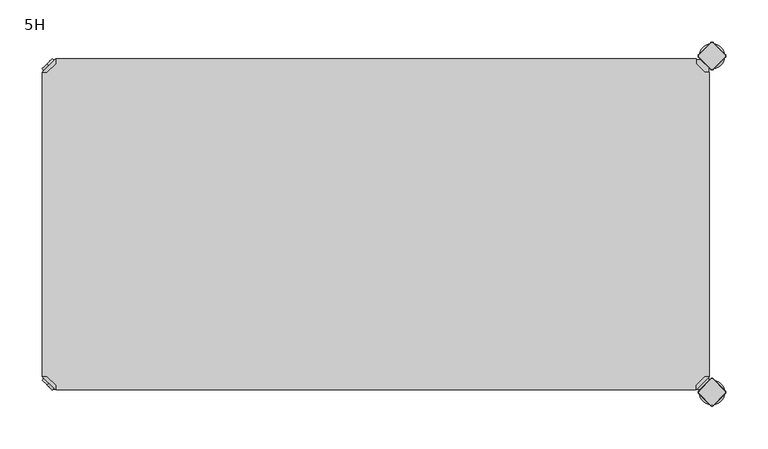
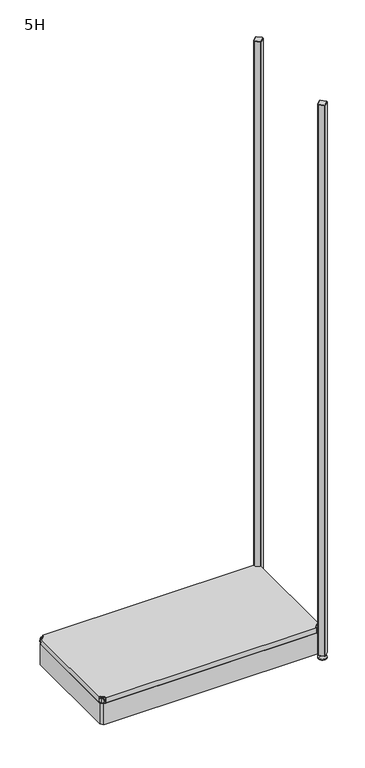
"""IFC4 building model written with IfcOpenShell, lengths in millimetres: furniture geometry, 5H."""

from ifc_helpers import new_model, si_unit, point, frame, frame_2d, origin, place, context, project, spatial, polyline, circle_curve, trimmed, segment, composite_curve, outline, extrude, source, transform, mapped, element, save
from ifc_brep_helpers import plane_surface, cylinder_surface, revolved_surface, advanced_brep


def furniture_5h_1d3c92c7(model_context):
    return source(origin(), model_context, "Body", "SolidModel", [
        advanced_brep(
        [(781.0796898, -397.0, 117.0), (797.0, -381.0796898, 117.0), (791.3431458, -381.0796898, 117.0), (781.0796898, -391.3431458, 117.0), (781.0796898, -397.0, 98.0), (781.0796898, -397.0, 97.0), (797.0, -381.0796898, 97.0), (797.0, -381.0796898, 98.0), (791.3431458, -381.0796898, 98.0), (781.0796898, -391.3431458, 98.0), (768.1906025, -352.2702923, 98.0), (752.2702923, -368.1906025, 98.0), (752.2702923, -368.1906025, 97.0), (768.1906025, -352.2702923, 97.0)],
        [
            (0, 1),
            (1, 2),
            (2, 3),
            (3, 0),
            (0, 4),
            (4, 5),
            (5, 6),
            (6, 7),
            (7, 1),
            (2, 8),
            (8, 9),
            (9, 3),
            (9, 4),
            (7, 8),
            (7, 10),
            (10, 11, circle_curve(frame((760.2304474, -360.2304474, 98.0), z_axis=(0.0, 0.0, 1.0), x_axis=(-1.0, 0.0, 0.0)), 11.2573593)),
            (11, 4),
            (5, 12),
            (12, 13, circle_curve(frame((760.2304474, -360.2304474, 97.0), z_axis=(0.0, 0.0, -1.0), x_axis=(-1.0, 0.0, 0.0)), 11.2573593)),
            (13, 6),
            (13, 10),
            (12, 11),
        ],
        [
            plane_surface(frame((838.8756299, -339.2040599, 117.0), z_axis=(0.0, 0.0, 1.0000000000000002), x_axis=(0.7071067811865511, 0.707106781186544, 0.0))),
            plane_surface(frame((781.0796898, -397.0, 117.0), z_axis=(0.707106781186544, -0.7071067811865511, 0.0), x_axis=(0.0, 0.0, -1.0))),
            plane_surface(frame((791.3431458, -381.0796898, 117.0), z_axis=(-0.7071067811865527, 0.7071067811865424, 0.0), x_axis=(0.0, 0.0, -1.0))),
            plane_surface(frame((781.0796898, -391.3431458, 117.0), z_axis=(-1.0, 0.0, 0.0), x_axis=(0.0, 0.0, -1.0))),
            plane_surface(frame((797.0, -381.0796898, 117.0), z_axis=(0.0, 1.0, 0.0), x_axis=(0.0, 0.0, -1.0))),
            plane_surface(frame((797.0, -381.0796898, 98.0), z_axis=(0.0, 0.0, 1.0), x_axis=(0.7071067811865439, 0.7071067811865511, 0.0))),
            plane_surface(frame((797.0, -381.0796898, 97.0), z_axis=(0.0, 0.0, -1.0), x_axis=(-0.7071067811865439, -0.7071067811865511, 0.0))),
            plane_surface(frame((797.0, -381.0796898, 98.0), z_axis=(0.7071067811865446, 0.7071067811865506, 0.0), x_axis=(0.0, 0.0, -1.0))),
            cylinder_surface(frame((760.2304474, -360.2304474, 97.0), z_axis=(0.0, 0.0, 1.0), x_axis=(-1.0, 0.0, 0.0)), 11.2573593),
            plane_surface(frame((752.2702923, -368.1906025, 98.0), z_axis=(-0.7071067811865435, -0.7071067811865517, 0.0), x_axis=(0.0, 0.0, -1.0))),
        ],
        [
            (0, [[1, 2, 3, 4]]),
            (1, [[-1, 5, 6, 7, 8, 9]]),
            (2, [[-3, 10, 11, 12]]),
            (3, [[-4, -12, 13, -5]]),
            (4, [[-2, -9, 14, -10]]),
            (5, [[15, 16, 17, -13, -11, -14]]),
            (6, [[18, 19, 20, -7]]),
            (7, [[-15, -8, -20, 21]]),
            (8, [[-16, -21, -19, 22]]),
            (9, [[-17, -22, -18, -6]]),
        ],
    ),
        advanced_brep(
        [(10.9601551, -389.0398449, 98.5), (10.9601551, -389.0398449, 107.0), (10.9601551, -389.0398449, 115.5), (8.8388348, -391.1611652, 98.5), (8.8388348, -391.1611652, 115.5), (8.8388348, -391.1611652, 107.0)],
        [
            (0, 1),
            (1, 2),
            (2, 0, circle_curve(frame((10.9601551, -389.0398449, 107.0), z_axis=(0.7071067811865509, 0.7071067811865441, 0.0), x_axis=(0.0, 0.0, 1.0)), 8.5)),
            (0, 2, circle_curve(frame((10.9601551, -389.0398449, 107.0), z_axis=(0.7071067811865509, 0.7071067811865441, 0.0), x_axis=(0.0, 0.0, 1.0)), 8.5)),
            (3, 0),
            (2, 4),
            (4, 3, circle_curve(frame((8.8388348, -391.1611652, 107.0), z_axis=(0.7071067811865509, 0.7071067811865441, 0.0), x_axis=(0.0, 0.0, 1.0)), 8.5)),
            (3, 4, circle_curve(frame((8.8388348, -391.1611652, 107.0), z_axis=(0.7071067811865509, 0.7071067811865441, 0.0), x_axis=(0.0, 0.0, 1.0)), 8.5)),
            (5, 3),
            (4, 5),
        ],
        [
            plane_surface(frame((10.9601551, -389.0398449, 107.0), z_axis=(0.7071067811865506, 0.7071067811865446, 0.0), x_axis=(0.0, 0.0, 1.0))),
            cylinder_surface(frame((8.8388348, -391.1611652, 107.0), z_axis=(-0.7071067811865509, -0.7071067811865441, 0.0), x_axis=(0.0, 0.0, 1.0)), 8.5),
            plane_surface(frame((8.8388348, -391.1611652, 107.0), z_axis=(-0.7071067811865506, -0.7071067811865446, 0.0), x_axis=(0.0, 0.0, 1.0))),
        ],
        [
            (0, [[1, 2, 3]]),
            (0, [[-2, -1, 4]]),
            (1, [[5, -3, 6, 7]]),
            (1, [[-6, -4, -5, 8]]),
            (2, [[9, -7, 10]]),
            (2, [[-10, -8, -9]]),
        ],
    ),
        advanced_brep(
        [(18.9203102, -397.0, 117.0), (18.9203102, -391.3431458, 117.0), (8.6568542, -381.0796898, 117.0), (3.0, -381.0796898, 117.0), (3.0, -381.0796898, 98.0), (3.0, -381.0796898, 97.0), (18.9203102, -397.0, 97.0), (18.9203102, -397.0, 98.0), (18.9203102, -391.3431458, 98.0), (8.6568542, -381.0796898, 98.0), (47.7297077, -368.1906025, 98.0), (31.8093975, -352.2702923, 98.0), (31.8093975, -352.2702923, 97.0), (47.7297077, -368.1906025, 97.0)],
        [
            (0, 1),
            (1, 2),
            (2, 3),
            (3, 0),
            (3, 4),
            (4, 5),
            (5, 6),
            (6, 7),
            (7, 0),
            (1, 8),
            (8, 9),
            (9, 2),
            (7, 8),
            (9, 4),
            (7, 10),
            (10, 11, circle_curve(frame((39.7695526, -360.2304474, 98.0), z_axis=(0.0, 0.0, 1.0), x_axis=(1.0, 0.0, 0.0)), 11.2573593)),
            (11, 4),
            (5, 12),
            (12, 13, circle_curve(frame((39.7695526, -360.2304474, 97.0), z_axis=(0.0, 0.0, -1.0), x_axis=(1.0, 0.0, 0.0)), 11.2573593)),
            (13, 6),
            (11, 12),
            (10, 13),
        ],
        [
            plane_surface(frame((-38.8756299, -339.2040599, 117.0), z_axis=(0.0, 0.0, 1.0000000000000002), x_axis=(-0.7071067811865511, 0.707106781186544, 0.0))),
            plane_surface(frame((18.9203102, -397.0, 117.0), z_axis=(-0.707106781186544, -0.7071067811865511, 0.0), x_axis=(0.0, 0.0, -1.0))),
            plane_surface(frame((8.6568542, -381.0796898, 117.0), z_axis=(0.7071067811865527, 0.7071067811865424, 0.0), x_axis=(0.0, 0.0, -1.0))),
            plane_surface(frame((18.9203102, -391.3431458, 117.0), z_axis=(1.0, 0.0, 0.0), x_axis=(0.0, 0.0, -1.0))),
            plane_surface(frame((3.0, -381.0796898, 117.0), z_axis=(0.0, 1.0, 0.0), x_axis=(0.0, 0.0, -1.0))),
            plane_surface(frame((3.0, -381.0796898, 98.0), z_axis=(0.0, 0.0, 1.0), x_axis=(-0.7071067811865439, 0.7071067811865511, 0.0))),
            plane_surface(frame((3.0, -381.0796898, 97.0), z_axis=(0.0, 0.0, -1.0), x_axis=(0.7071067811865439, -0.7071067811865511, 0.0))),
            plane_surface(frame((3.0, -381.0796898, 98.0), z_axis=(-0.7071067811865446, 0.7071067811865506, 0.0), x_axis=(0.0, 0.0, -1.0))),
            cylinder_surface(frame((39.7695526, -360.2304474, 97.0), z_axis=(0.0, 0.0, 1.0), x_axis=(1.0, 0.0, 0.0)), 11.2573593),
            plane_surface(frame((47.7297077, -368.1906025, 98.0), z_axis=(0.7071067811865435, -0.7071067811865517, 0.0), x_axis=(0.0, 0.0, -1.0))),
        ],
        [
            (0, [[1, 2, 3, 4]]),
            (1, [[5, 6, 7, 8, 9, -4]]),
            (2, [[10, 11, 12, -2]]),
            (3, [[-9, 13, -10, -1]]),
            (4, [[-12, 14, -5, -3]]),
            (5, [[-14, -11, -13, 15, 16, 17]]),
            (6, [[-7, 18, 19, 20]]),
            (7, [[21, -18, -6, -17]]),
            (8, [[22, -19, -21, -16]]),
            (9, [[-8, -20, -22, -15]]),
        ],
    ),
        advanced_brep(
        [(10.9601551, -10.9601551, 98.5), (10.9601551, -10.9601551, 115.5), (10.9601551, -10.9601551, 107.0), (8.8388348, -8.8388348, 98.5), (8.8388348, -8.8388348, 115.5), (8.8388348, -8.8388348, 107.0)],
        [
            (0, 1, circle_curve(frame((10.9601551, -10.9601551, 107.0), z_axis=(0.7071067811865464, -0.7071067811865487, 0.0), x_axis=(0.0, 0.0, 1.0)), 8.5)),
            (1, 2),
            (2, 0),
            (1, 0, circle_curve(frame((10.9601551, -10.9601551, 107.0), z_axis=(0.7071067811865464, -0.7071067811865487, 0.0), x_axis=(0.0, 0.0, 1.0)), 8.5)),
            (3, 4, circle_curve(frame((8.8388348, -8.8388348, 107.0), z_axis=(0.7071067811865464, -0.7071067811865487, 0.0), x_axis=(0.0, 0.0, 1.0)), 8.5)),
            (4, 1),
            (0, 3),
            (4, 3, circle_curve(frame((8.8388348, -8.8388348, 107.0), z_axis=(0.7071067811865464, -0.7071067811865487, 0.0), x_axis=(0.0, 0.0, 1.0)), 8.5)),
            (5, 4),
            (3, 5),
        ],
        [
            plane_surface(frame((10.9601551, -10.9601551, 107.0), z_axis=(0.707106781186546, -0.7071067811865491, 0.0), x_axis=(0.0, 0.0, 1.0))),
            cylinder_surface(frame((8.8388348, -8.8388348, 107.0), z_axis=(-0.7071067811865464, 0.7071067811865487, 0.0), x_axis=(0.0, 0.0, 1.0)), 8.5),
            plane_surface(frame((8.8388348, -8.8388348, 107.0), z_axis=(-0.707106781186546, 0.7071067811865491, 0.0), x_axis=(0.0, 0.0, 1.0))),
        ],
        [
            (0, [[1, 2, 3]]),
            (0, [[4, -3, -2]]),
            (1, [[5, 6, -1, 7]]),
            (1, [[8, -7, -4, -6]]),
            (2, [[9, -5, 10]]),
            (2, [[-10, -8, -9]]),
        ],
    ),
        advanced_brep(
        [(18.9203102, -3.0, 117.0), (3.0, -18.9203102, 117.0), (8.6568542, -18.9203102, 117.0), (18.9203102, -8.6568542, 117.0), (18.9203102, -3.0, 98.0), (18.9203102, -3.0, 97.0), (3.0, -18.9203102, 97.0), (3.0, -18.9203102, 98.0), (8.6568542, -18.9203102, 98.0), (18.9203102, -8.6568542, 98.0), (31.8093975, -47.7297077, 98.0), (47.7297077, -31.8093975, 98.0), (47.7297077, -31.8093975, 97.0), (31.8093975, -47.7297077, 97.0)],
        [
            (0, 1),
            (1, 2),
            (2, 3),
            (3, 0),
            (0, 4),
            (4, 5),
            (5, 6),
            (6, 7),
            (7, 1),
            (2, 8),
            (8, 9),
            (9, 3),
            (9, 4),
            (7, 8),
            (7, 10),
            (10, 11, circle_curve(frame((39.7695526, -39.7695526, 98.0), z_axis=(0.0, 0.0, 1.0), x_axis=(1.0, 0.0, 0.0)), 11.2573593)),
            (11, 4),
            (5, 12),
            (12, 13, circle_curve(frame((39.7695526, -39.7695526, 97.0), z_axis=(0.0, 0.0, -1.0), x_axis=(1.0, 0.0, 0.0)), 11.2573593)),
            (13, 6),
            (13, 10),
            (12, 11),
        ],
        [
            plane_surface(frame((-38.8756299, -60.7959401, 117.0), z_axis=(0.0, 0.0, 1.0000000000000002), x_axis=(-0.7071067811865557, -0.7071067811865395, 0.0))),
            plane_surface(frame((18.9203102, -3.0, 117.0), z_axis=(-0.7071067811865395, 0.7071067811865557, 0.0), x_axis=(0.0, 0.0, -1.0))),
            plane_surface(frame((8.6568542, -18.9203102, 117.0), z_axis=(0.7071067811865481, -0.7071067811865469, 0.0), x_axis=(0.0, 0.0, -1.0))),
            plane_surface(frame((18.9203102, -8.6568542, 117.0), z_axis=(1.0, 0.0, 0.0), x_axis=(0.0, 0.0, -1.0))),
            plane_surface(frame((3.0, -18.9203102, 117.0), z_axis=(0.0, -1.0, 0.0), x_axis=(0.0, 0.0, -1.0))),
            plane_surface(frame((3.0, -18.9203102, 98.0), z_axis=(0.0, 0.0, 1.0), x_axis=(-0.7071067811865485, -0.7071067811865466, 0.0))),
            plane_surface(frame((3.0, -18.9203102, 97.0), z_axis=(0.0, 0.0, -1.0), x_axis=(0.7071067811865485, 0.7071067811865466, 0.0))),
            plane_surface(frame((3.0, -18.9203102, 98.0), z_axis=(-0.7071067811865491, -0.707106781186546, 0.0), x_axis=(0.0, 0.0, -1.0))),
            cylinder_surface(frame((39.7695526, -39.7695526, 97.0), z_axis=(0.0, 0.0, 1.0), x_axis=(1.0, 0.0, 0.0)), 11.2573593),
            plane_surface(frame((47.7297077, -31.8093975, 98.0), z_axis=(0.707106781186548, 0.7071067811865471, 0.0), x_axis=(0.0, 0.0, -1.0))),
        ],
        [
            (0, [[1, 2, 3, 4]]),
            (1, [[-1, 5, 6, 7, 8, 9]]),
            (2, [[-3, 10, 11, 12]]),
            (3, [[-4, -12, 13, -5]]),
            (4, [[-2, -9, 14, -10]]),
            (5, [[15, 16, 17, -13, -11, -14]]),
            (6, [[18, 19, 20, -7]]),
            (7, [[-15, -8, -20, 21]]),
            (8, [[-16, -21, -19, 22]]),
            (9, [[-17, -22, -18, -6]]),
        ],
    ),
        extrude(outline(polyline([(781.0796898, -3.0), (781.0796898, -8.6568542), (791.3431458, -18.9203102), (797.0, -18.9203102), (797.0, -381.0796898), (791.3431458, -381.0796898), (781.0796898, -391.3431458), (781.0796898, -397.0), (18.9203102, -397.0), (18.9203102, -391.3431458), (8.6568542, -381.0796898), (3.0, -381.0796898), (3.0, -18.9203102), (8.6568542, -18.9203102), (18.9203102, -8.6568542), (18.9203102, -3.0), (781.0796898, -3.0)])), frame((0.0, 0.0, 98.0), z_axis=(0.0, 0.0, 1.0), x_axis=(1.0, 0.0, 0.0)), (0.0, 0.0, 1.0), 19.0),
        advanced_brep(
        [(785.0, -400.0, 0.0), (815.0, -400.0, 0.0), (800.0, -400.0, 0.0), (785.0, -400.0, 2.0), (815.0, -400.0, 2.0), (792.0, -400.0, 9.0), (808.0, -400.0, 9.0), (796.0, -400.0, 9.0), (804.0, -400.0, 9.0), (796.0, -400.0, 15.0), (804.0, -400.0, 15.0), (800.0, -400.0, 15.0)],
        [
            (0, 1, circle_curve(frame((800.0, -400.0, 0.0), z_axis=(0.0, 0.0, -1.0), x_axis=(1.0, 0.0, 0.0)), 15.0)),
            (1, 2),
            (2, 0),
            (1, 0, circle_curve(frame((800.0, -400.0, 0.0), z_axis=(0.0, 0.0, -1.0), x_axis=(1.0, 0.0, 0.0)), 15.0)),
            (3, 4, circle_curve(frame((800.0, -400.0, 2.0), z_axis=(0.0, 0.0, -1.0), x_axis=(1.0, 0.0, 0.0)), 15.0)),
            (4, 1),
            (0, 3),
            (4, 3, circle_curve(frame((800.0, -400.0, 2.0), z_axis=(0.0, 0.0, -1.0), x_axis=(1.0, 0.0, 0.0)), 15.0)),
            (5, 6, circle_curve(frame((800.0, -400.0, 9.0), z_axis=(0.0, 0.0, -1.0), x_axis=(1.0, 0.0, 0.0)), 8.0)),
            (6, 4),
            (3, 5),
            (6, 5, circle_curve(frame((800.0, -400.0, 9.0), z_axis=(0.0, 0.0, -1.0), x_axis=(1.0, 0.0, 0.0)), 8.0)),
            (7, 8, circle_curve(frame((800.0, -400.0, 9.0), z_axis=(0.0, 0.0, -1.0), x_axis=(1.0, 0.0, 0.0)), 4.0)),
            (8, 6),
            (5, 7),
            (8, 7, circle_curve(frame((800.0, -400.0, 9.0), z_axis=(0.0, 0.0, -1.0), x_axis=(1.0, 0.0, 0.0)), 4.0)),
            (9, 10, circle_curve(frame((800.0, -400.0, 15.0), z_axis=(0.0, 0.0, -1.0), x_axis=(1.0, 0.0, 0.0)), 4.0)),
            (10, 8),
            (7, 9),
            (10, 9, circle_curve(frame((800.0, -400.0, 15.0), z_axis=(0.0, 0.0, -1.0), x_axis=(1.0, 0.0, 0.0)), 4.0)),
            (11, 10),
            (9, 11),
        ],
        [
            plane_surface(frame((800.0, -400.0, 0.0), z_axis=(0.0, 0.0, -1.0), x_axis=(1.0, 0.0, 0.0))),
            cylinder_surface(frame((800.0, -400.0, 18.6083303), z_axis=(0.0, 0.0, 1.0), x_axis=(1.0, 0.0, 0.0)), 15.0),
            revolved_surface(polyline([(815.0, -400.0, 2.0), (808.0, -400.0, 9.0)]), (800.0, -400.0, 18.6083303), (0.0, 0.0, 1.0)),
            plane_surface(frame((800.0, -400.0, 9.0), z_axis=(0.0, 0.0, 1.0), x_axis=(1.0, 0.0, 0.0))),
            cylinder_surface(frame((800.0, -400.0, 18.6083303), z_axis=(0.0, 0.0, 1.0), x_axis=(1.0, 0.0, 0.0)), 4.0),
            plane_surface(frame((800.0, -400.0, 15.0), z_axis=(0.0, 0.0, 1.0), x_axis=(1.0, 0.0, 0.0))),
        ],
        [
            (0, [[1, 2, 3]]),
            (0, [[4, -3, -2]]),
            (1, [[5, 6, -1, 7]]),
            (1, [[8, -7, -4, -6]]),
            (2, [[9, 10, -5, 11]]),
            (2, [[12, -11, -8, -10]]),
            (3, [[13, 14, -9, 15]]),
            (3, [[16, -15, -12, -14]]),
            (4, [[17, 18, -13, 19]]),
            (4, [[20, -19, -16, -18]]),
            (5, [[21, -17, 22]]),
            (5, [[-22, -20, -21]]),
        ],
    ),
        advanced_brep(
        [(798.7979185, -384.6557828, 2117.0), (784.6557828, -398.7979185, 2117.0), (784.6557828, -401.2020815, 2117.0), (798.7979185, -415.3442172, 2117.0), (801.2020815, -415.3442172, 2117.0), (815.3442172, -401.2020815, 2117.0), (815.3442172, -398.7979185, 2117.0), (801.2020815, -384.6557828, 2117.0), (798.232233, -384.0900974, 2115.0), (801.767767, -384.0900974, 2115.0), (815.9099026, -398.232233, 2115.0), (815.9099026, -401.767767, 2115.0), (801.767767, -415.9099026, 2115.0), (798.232233, -415.9099026, 2115.0), (784.0900974, -401.767767, 2115.0), (784.0900974, -398.232233, 2115.0)],
        [
            (0, 1),
            (1, 2, circle_curve(frame((785.8578644, -400.0, 2117.0), z_axis=(0.0, 0.0, 1.0), x_axis=(-0.7071067811865537, 0.7071067811865414, 0.0)), 1.7)),
            (2, 3),
            (3, 4, circle_curve(frame((800.0, -414.1421356, 2117.0), z_axis=(0.0, 0.0, 1.0), x_axis=(-0.7071067811865491, -0.707106781186546, 0.0)), 1.7)),
            (4, 5),
            (5, 6, circle_curve(frame((814.1421356, -400.0, 2117.0), z_axis=(0.0, 0.0, 1.0), x_axis=(0.707106781186539, -0.7071067811865559, 0.0)), 1.7)),
            (6, 7),
            (7, 0, circle_curve(frame((800.0, -385.8578644, 2117.0), z_axis=(0.0, 0.0, 1.0), x_axis=(0.7071067811865458, 0.7071067811865492, 0.0)), 1.7)),
            (8, 9, circle_curve(frame((800.0, -385.8578644, 2115.0), z_axis=(0.0, 0.0, -1.0), x_axis=(0.7071067811865458, 0.7071067811865492, 0.0)), 2.5)),
            (9, 10),
            (10, 11, circle_curve(frame((814.1421356, -400.0, 2115.0), z_axis=(0.0, 0.0, -1.0), x_axis=(0.707106781186539, -0.7071067811865559, 0.0)), 2.5)),
            (11, 12),
            (12, 13, circle_curve(frame((800.0, -414.1421356, 2115.0), z_axis=(0.0, 0.0, -1.0), x_axis=(-0.7071067811865491, -0.707106781186546, 0.0)), 2.5)),
            (13, 14),
            (14, 15, circle_curve(frame((785.8578644, -400.0, 2115.0), z_axis=(0.0, 0.0, -1.0), x_axis=(-0.7071067811865537, 0.7071067811865414, 0.0)), 2.5)),
            (15, 8),
            (15, 1),
            (0, 8),
            (14, 2),
            (13, 3),
            (12, 4),
            (11, 5),
            (10, 6),
            (9, 7),
        ],
        [
            plane_surface(frame((800.0, -400.0, 2117.0), z_axis=(0.0, 0.0, 1.0), x_axis=(-0.7071067811865486, 0.7071067811865466, 0.0))),
            plane_surface(frame((800.0, -400.0, 2115.0), z_axis=(0.0, 0.0, -1.0), x_axis=(-0.7071067811865486, 0.7071067811865466, 0.0))),
            plane_surface(frame((791.1611652, -391.1611652, 2115.0), z_axis=(-0.6565321642986406, 0.656532164298628, 0.3713906763540281), x_axis=(-0.7071067811865408, -0.7071067811865543, 0.0))),
            revolved_surface(polyline([(784.65578284, -398.79791844, 2117.0), (784.0900974, -398.232233, 2115.0)]), (785.8578644, -400.0, 2121.25), (0.0, 0.0, -1.0)),
            plane_surface(frame((791.1611652, -408.8388348, 2115.0), z_axis=(-0.6565321642986325, -0.6565321642986414, 0.3713906763540188), x_axis=(0.7071067811865523, -0.7071067811865428, 0.0))),
            revolved_surface(polyline([(798.79791844, -415.34421716, 2117.0), (798.232233, -415.9099026, 2115.0)]), (800.0, -414.1421356, 2121.25), (0.0, 0.0, -1.0)),
            plane_surface(frame((808.8388348, -408.8388348, 2115.0), z_axis=(0.6565321642986457, -0.6565321642986508, 0.3713906763539787), x_axis=(0.7071067811865541, 0.707106781186541, 0.0))),
            revolved_surface(polyline([(815.34421716, -401.20208156, 2117.0), (815.9099026, -401.767767, 2115.0)]), (814.1421356, -400.0, 2121.25), (0.0, 0.0, -1.0)),
            plane_surface(frame((808.8388348, -391.1611652, 2115.0), z_axis=(0.656532164298657, 0.6565321642986371, 0.37139067635398293), x_axis=(-0.7071067811865407, 0.7071067811865545, 0.0))),
            revolved_surface(polyline([(801.20208156, -384.65578284, 2117.0), (801.767767, -384.0900974, 2115.0)]), (800.0, -385.8578644, 2121.25), (0.0, 0.0, -1.0)),
        ],
        [
            (0, [[1, 2, 3, 4, 5, 6, 7, 8]]),
            (1, [[9, 10, 11, 12, 13, 14, 15, 16]]),
            (2, [[-16, 17, -1, 18]]),
            (3, [[-15, 19, -2, -17]]),
            (4, [[-14, 20, -3, -19]]),
            (5, [[-13, 21, -4, -20]]),
            (6, [[-12, 22, -5, -21]]),
            (7, [[-11, 23, -6, -22]]),
            (8, [[-10, 24, -7, -23]]),
            (9, [[-9, -18, -8, -24]]),
        ],
    ),
        extrude(outline(composite_curve([segment(trimmed(circle_curve(frame_2d((814.1421356, -400.0)), 2.5), [point((815.9099026, -398.232233))], [point((815.9099026, -401.767767))], False, "CARTESIAN"), True, "CONTINUOUS"), segment(polyline([(815.9099026, -401.767767), (801.767767, -415.9099026)]), True, "CONTINUOUS"), segment(trimmed(circle_curve(frame_2d((800.0, -414.1421356)), 2.5), [point((801.767767, -415.9099026))], [point((798.232233, -415.9099026))], False, "CARTESIAN"), True, "CONTINUOUS"), segment(polyline([(798.232233, -415.9099026), (784.0900974, -401.767767)]), True, "CONTINUOUS"), segment(trimmed(circle_curve(frame_2d((785.8578644, -400.0)), 2.5), [point((784.0900974, -401.767767))], [point((784.0900974, -398.232233))], False, "CARTESIAN"), True, "CONTINUOUS"), segment(polyline([(784.0900974, -398.232233), (798.232233, -384.0900974)]), True, "CONTINUOUS"), segment(trimmed(circle_curve(frame_2d((800.0, -385.8578644)), 2.5), [point((798.232233, -384.0900974))], [point((801.767767, -384.0900974))], False, "CARTESIAN"), True, "CONTINUOUS"), segment(polyline([(801.767767, -384.0900974), (815.9099026, -398.232233)]), True, "CONTINUOUS")], self_intersect=False)), frame((0.0, 0.0, 15.0), z_axis=(0.0, 0.0, 1.0), x_axis=(1.0, 0.0, 0.0)), (0.0, 0.0, 1.0), 2100.0),
        advanced_brep(
        [(785.0, 0.0, 0.0), (815.0, 0.0, 0.0), (800.0, 0.0, 0.0), (785.0, 0.0, 2.0), (815.0, 0.0, 2.0), (792.0, 0.0, 9.0), (808.0, 0.0, 9.0), (796.0, 0.0, 9.0), (804.0, 0.0, 9.0), (796.0, 0.0, 15.0), (804.0, 0.0, 15.0), (800.0, 0.0, 15.0)],
        [
            (0, 1, circle_curve(frame((800.0, 0.0, 0.0), z_axis=(0.0, 0.0, -1.0), x_axis=(1.0, 0.0, 0.0)), 15.0)),
            (1, 2),
            (2, 0),
            (1, 0, circle_curve(frame((800.0, 0.0, 0.0), z_axis=(0.0, 0.0, -1.0), x_axis=(1.0, 0.0, 0.0)), 15.0)),
            (3, 4, circle_curve(frame((800.0, 0.0, 2.0), z_axis=(0.0, 0.0, -1.0), x_axis=(1.0, 0.0, 0.0)), 15.0)),
            (4, 1),
            (0, 3),
            (4, 3, circle_curve(frame((800.0, 0.0, 2.0), z_axis=(0.0, 0.0, -1.0), x_axis=(1.0, 0.0, 0.0)), 15.0)),
            (5, 6, circle_curve(frame((800.0, 0.0, 9.0), z_axis=(0.0, 0.0, -1.0), x_axis=(1.0, 0.0, 0.0)), 8.0)),
            (6, 4),
            (3, 5),
            (6, 5, circle_curve(frame((800.0, 0.0, 9.0), z_axis=(0.0, 0.0, -1.0), x_axis=(1.0, 0.0, 0.0)), 8.0)),
            (7, 8, circle_curve(frame((800.0, 0.0, 9.0), z_axis=(0.0, 0.0, -1.0), x_axis=(1.0, 0.0, 0.0)), 4.0)),
            (8, 6),
            (5, 7),
            (8, 7, circle_curve(frame((800.0, 0.0, 9.0), z_axis=(0.0, 0.0, -1.0), x_axis=(1.0, 0.0, 0.0)), 4.0)),
            (9, 10, circle_curve(frame((800.0, 0.0, 15.0), z_axis=(0.0, 0.0, -1.0), x_axis=(1.0, 0.0, 0.0)), 4.0)),
            (10, 8),
            (7, 9),
            (10, 9, circle_curve(frame((800.0, 0.0, 15.0), z_axis=(0.0, 0.0, -1.0), x_axis=(1.0, 0.0, 0.0)), 4.0)),
            (11, 10),
            (9, 11),
        ],
        [
            plane_surface(frame((800.0, 0.0, 0.0), z_axis=(0.0, 0.0, -1.0), x_axis=(1.0, 0.0, 0.0))),
            cylinder_surface(frame((800.0, 0.0, 18.6083303), z_axis=(0.0, 0.0, 1.0), x_axis=(1.0, 0.0, 0.0)), 15.0),
            revolved_surface(polyline([(815.0, 0.0, 2.0), (808.0, 0.0, 9.0)]), (800.0, 0.0, 18.6083303), (0.0, 0.0, 1.0)),
            plane_surface(frame((800.0, 0.0, 9.0), z_axis=(0.0, 0.0, 1.0), x_axis=(1.0, 0.0, 0.0))),
            cylinder_surface(frame((800.0, 0.0, 18.6083303), z_axis=(0.0, 0.0, 1.0), x_axis=(1.0, 0.0, 0.0)), 4.0),
            plane_surface(frame((800.0, 0.0, 15.0), z_axis=(0.0, 0.0, 1.0), x_axis=(1.0, 0.0, 0.0))),
        ],
        [
            (0, [[1, 2, 3]]),
            (0, [[4, -3, -2]]),
            (1, [[5, 6, -1, 7]]),
            (1, [[8, -7, -4, -6]]),
            (2, [[9, 10, -5, 11]]),
            (2, [[12, -11, -8, -10]]),
            (3, [[13, 14, -9, 15]]),
            (3, [[16, -15, -12, -14]]),
            (4, [[17, 18, -13, 19]]),
            (4, [[20, -19, -16, -18]]),
            (5, [[21, -17, 22]]),
            (5, [[-22, -20, -21]]),
        ],
    ),
        advanced_brep(
        [(798.7979185, 15.3442172, 2117.0), (784.6557828, 1.2020815, 2117.0), (784.6557828, -1.2020815, 2117.0), (798.7979185, -15.3442172, 2117.0), (801.2020815, -15.3442172, 2117.0), (815.3442172, -1.2020815, 2117.0), (815.3442172, 1.2020815, 2117.0), (801.2020815, 15.3442172, 2117.0), (798.232233, 15.9099026, 2115.0), (801.767767, 15.9099026, 2115.0), (815.9099026, 1.767767, 2115.0), (815.9099026, -1.767767, 2115.0), (801.767767, -15.9099026, 2115.0), (798.232233, -15.9099026, 2115.0), (784.0900974, -1.767767, 2115.0), (784.0900974, 1.767767, 2115.0)],
        [
            (0, 1),
            (1, 2, circle_curve(frame((785.8578644, 0.0, 2117.0), z_axis=(0.0, 0.0, 1.0), x_axis=(-0.7071067811865537, 0.7071067811865414, 0.0)), 1.7)),
            (2, 3),
            (3, 4, circle_curve(frame((800.0, -14.1421356, 2117.0), z_axis=(0.0, 0.0, 1.0), x_axis=(-0.7071067811865491, -0.707106781186546, 0.0)), 1.7)),
            (4, 5),
            (5, 6, circle_curve(frame((814.1421356, 0.0, 2117.0), z_axis=(0.0, 0.0, 1.0), x_axis=(0.707106781186539, -0.7071067811865559, 0.0)), 1.7)),
            (6, 7),
            (7, 0, circle_curve(frame((800.0, 14.1421356, 2117.0), z_axis=(0.0, 0.0, 1.0), x_axis=(0.7071067811865458, 0.7071067811865492, 0.0)), 1.7)),
            (8, 9, circle_curve(frame((800.0, 14.1421356, 2115.0), z_axis=(0.0, 0.0, -1.0), x_axis=(0.7071067811865458, 0.7071067811865492, 0.0)), 2.5)),
            (9, 10),
            (10, 11, circle_curve(frame((814.1421356, 0.0, 2115.0), z_axis=(0.0, 0.0, -1.0), x_axis=(0.707106781186539, -0.7071067811865559, 0.0)), 2.5)),
            (11, 12),
            (12, 13, circle_curve(frame((800.0, -14.1421356, 2115.0), z_axis=(0.0, 0.0, -1.0), x_axis=(-0.7071067811865491, -0.707106781186546, 0.0)), 2.5)),
            (13, 14),
            (14, 15, circle_curve(frame((785.8578644, 0.0, 2115.0), z_axis=(0.0, 0.0, -1.0), x_axis=(-0.7071067811865537, 0.7071067811865414, 0.0)), 2.5)),
            (15, 8),
            (15, 1),
            (0, 8),
            (14, 2),
            (13, 3),
            (12, 4),
            (11, 5),
            (10, 6),
            (9, 7),
        ],
        [
            plane_surface(frame((800.0, 0.0, 2117.0), z_axis=(0.0, 0.0, 1.0), x_axis=(-0.7071067811865486, 0.7071067811865466, 0.0))),
            plane_surface(frame((800.0, 0.0, 2115.0), z_axis=(0.0, 0.0, -1.0), x_axis=(-0.7071067811865486, 0.7071067811865466, 0.0))),
            plane_surface(frame((791.1611652, 8.8388348, 2115.0), z_axis=(-0.6565321642986406, 0.656532164298628, 0.3713906763540281), x_axis=(-0.7071067811865408, -0.7071067811865543, 0.0))),
            revolved_surface(polyline([(784.65578284, 1.20208156, 2117.0), (784.0900974, 1.767767, 2115.0)]), (785.8578644, 0.0, 2121.25), (0.0, 0.0, -1.0)),
            plane_surface(frame((791.1611652, -8.8388348, 2115.0), z_axis=(-0.6565321642986325, -0.6565321642986414, 0.3713906763540188), x_axis=(0.7071067811865523, -0.7071067811865428, 0.0))),
            revolved_surface(polyline([(798.79791844, -15.34421716, 2117.0), (798.232233, -15.9099026, 2115.0)]), (800.0, -14.1421356, 2121.25), (0.0, 0.0, -1.0)),
            plane_surface(frame((808.8388348, -8.8388348, 2115.0), z_axis=(0.6565321642986457, -0.6565321642986508, 0.3713906763539787), x_axis=(0.7071067811865541, 0.707106781186541, 0.0))),
            revolved_surface(polyline([(815.34421716, -1.20208156, 2117.0), (815.9099026, -1.767767, 2115.0)]), (814.1421356, 0.0, 2121.25), (0.0, 0.0, -1.0)),
            plane_surface(frame((808.8388348, 8.8388348, 2115.0), z_axis=(0.656532164298657, 0.6565321642986371, 0.37139067635398293), x_axis=(-0.7071067811865407, 0.7071067811865545, 0.0))),
            revolved_surface(polyline([(801.20208156, 15.34421716, 2117.0), (801.767767, 15.9099026, 2115.0)]), (800.0, 14.1421356, 2121.25), (0.0, 0.0, -1.0)),
        ],
        [
            (0, [[1, 2, 3, 4, 5, 6, 7, 8]]),
            (1, [[9, 10, 11, 12, 13, 14, 15, 16]]),
            (2, [[-16, 17, -1, 18]]),
            (3, [[-15, 19, -2, -17]]),
            (4, [[-14, 20, -3, -19]]),
            (5, [[-13, 21, -4, -20]]),
            (6, [[-12, 22, -5, -21]]),
            (7, [[-11, 23, -6, -22]]),
            (8, [[-10, 24, -7, -23]]),
            (9, [[-9, -18, -8, -24]]),
        ],
    ),
        extrude(outline(composite_curve([segment(trimmed(circle_curve(frame_2d((814.1421356, 0.0)), 2.5), [point((815.9099026, 1.767767))], [point((815.9099026, -1.767767))], False, "CARTESIAN"), True, "CONTINUOUS"), segment(polyline([(815.9099026, -1.767767), (801.767767, -15.9099026)]), True, "CONTINUOUS"), segment(trimmed(circle_curve(frame_2d((800.0, -14.1421356)), 2.5), [point((801.767767, -15.9099026))], [point((798.232233, -15.9099026))], False, "CARTESIAN"), True, "CONTINUOUS"), segment(polyline([(798.232233, -15.9099026), (784.0900974, -1.767767)]), True, "CONTINUOUS"), segment(trimmed(circle_curve(frame_2d((785.8578644, 0.0)), 2.5), [point((784.0900974, -1.767767))], [point((784.0900974, 1.767767))], False, "CARTESIAN"), True, "CONTINUOUS"), segment(polyline([(784.0900974, 1.767767), (798.232233, 15.9099026)]), True, "CONTINUOUS"), segment(trimmed(circle_curve(frame_2d((800.0, 14.1421356)), 2.5), [point((798.232233, 15.9099026))], [point((801.767767, 15.9099026))], False, "CARTESIAN"), True, "CONTINUOUS"), segment(polyline([(801.767767, 15.9099026), (815.9099026, 1.767767)]), True, "CONTINUOUS")], self_intersect=False)), frame((0.0, 0.0, 15.0), z_axis=(0.0, 0.0, 1.0), x_axis=(1.0, 0.0, 0.0)), (0.0, 0.0, 1.0), 2100.0),
        extrude(outline(polyline([(4.0, -13.6776695), (13.6776695, -4.0), (786.3223305, -4.0), (796.0, -13.6776695), (796.0, -386.3223305), (786.3223305, -396.0), (13.6776695, -396.0), (4.0, -386.3223305), (4.0, -13.6776695)])), frame((0.0, 0.0, 16.0), z_axis=(0.0, 0.0, 1.0), x_axis=(1.0, 0.0, 0.0)), (0.0, 0.0, 1.0), 80.0),
    ])


if __name__ == "__main__":
    model = new_model("IFC4")
    model_context = context("Model", 3, world=origin())
    ifc_project = project(units=[si_unit("LENGTHUNIT", "METRE", prefix="MILLI")], contexts=[model_context])
    site = spatial("IfcSite", under=ifc_project)
    building = spatial("IfcBuilding", under=site)
    placement = place(None, origin())
    furniture_5h_shape = furniture_5h_1d3c92c7(model_context)
    element("IfcFurniture", 1, ObjectType="5H", at=placement, inside=building, context=model_context, shape_type="MappedRepresentation", body=[
        mapped(furniture_5h_shape, transform((0.0, 0.0, 0.0), x_axis=(1.0, 0.0, 0.0), y_axis=(0.0, 1.0, 0.0), z_axis=(0.0, 0.0, 1.0))),
    ])
    save(model, "model.ifc")
